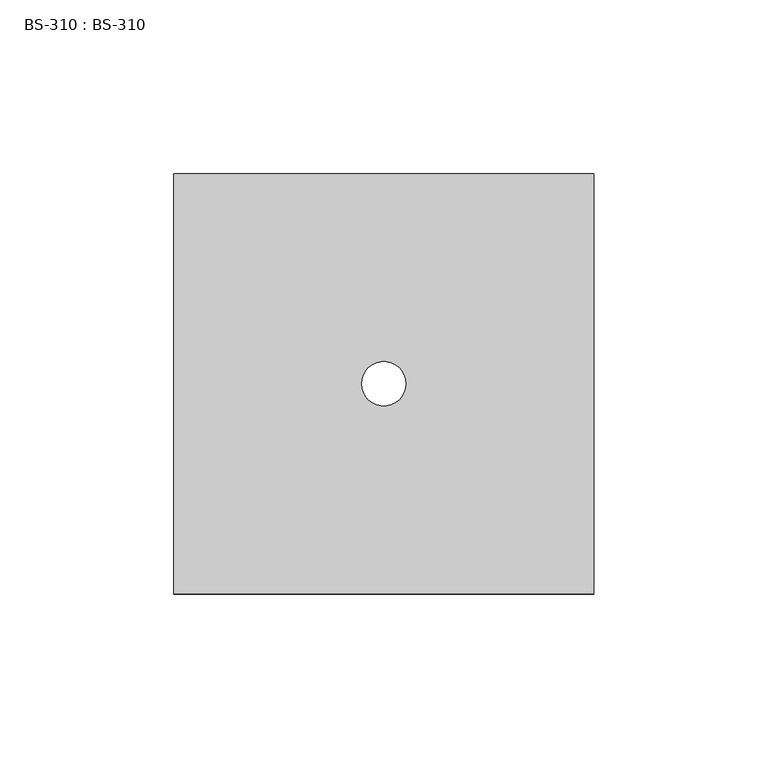
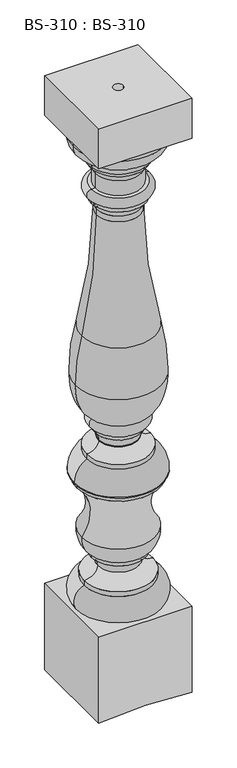
"""IFC4 building model written with IfcOpenShell, lengths in millimetres: proxy geometry, BS-310 : BS-310."""

from ifc_helpers import new_model, si_unit, point, frame, origin, place, context, project, spatial, polyline, circle_curve, ellipse_curve, trimmed, source, transform, mapped, element, save
from ifc_brep_helpers import plane_surface, cylinder_surface, revolved_surface, advanced_brep


def bs_310_bs_310_92ebf2f9(model_context):
    return source(origin(), model_context, "Body", "AdvancedBrep", [
        advanced_brep(
        [(-60.325, -60.325, 809.625), (-60.325, -60.325, 755.65), (60.325, -60.325, 755.65), (60.325, -60.325, 809.625), (-60.325, 60.325, 809.625), (60.325, 60.325, 809.625), (60.325, 60.325, 755.65), (-60.325, 60.325, 755.65), (58.7375, 0.0, 755.65), (-58.7375, 0.0, 755.65), (-6.35, 0.0, 809.625), (6.35, 0.0, 809.625), (-6.35, 0.0, 2.8407895), (0.0, 6.35, 3.175), (6.35, 0.0, 2.8407895), (0.0, -6.35, 3.175), (-58.7375, 0.0, 749.3), (58.7375, 0.0, 749.3), (36.5125, 0.0, 727.075), (-36.5125, 0.0, 727.075), (-44.45, 0.0, 146.05), (44.45, 0.0, 146.05), (54.8847416, 0.0, 117.475), (-54.8847416, 0.0, 117.475), (-44.45, 0.0, 152.4), (44.45, 0.0, 152.4), (-26.9901539, 0.0, 166.9365819), (26.9901539, 0.0, 166.9365819), (-34.925, 0.0, 180.975), (34.925, 0.0, 180.975), (-34.925, 0.0, 187.325), (34.925, 0.0, 187.325), (-47.625, 0.0, 212.725), (47.625, 0.0, 212.725), (-53.975, 0.0, 282.575), (53.975, 0.0, 282.575), (-53.975, 0.0, 288.925), (53.975, 0.0, 288.925), (-57.15, 0.0, 288.925), (57.15, 0.0, 288.925), (-57.15, 0.0, 290.0036934), (57.15, 0.0, 290.0036934), (-41.275, 0.0, 317.5), (41.275, 0.0, 317.5), (-41.275, 0.0, 323.85), (41.275, 0.0, 323.85), (-25.4, 0.0, 336.55), (25.4, 0.0, 336.55), (-25.4, 0.0, 337.9129824), (25.4, 0.0, 337.9129824), (-30.1625, 0.0, 349.25), (30.1625, 0.0, 349.25), (-30.1625, 0.0, 355.6), (30.1625, 0.0, 355.6), (-30.1625, 0.0, 371.475), (30.1625, 0.0, 371.475), (-55.5625, 0.0, 422.275), (55.5625, 0.0, 422.275), (-47.7215372, 0.0, 487.2401376), (47.7215372, 0.0, 487.2401376), (-28.575, 0.0, 645.8759388), (28.575, 0.0, 645.8759388), (-28.575, 0.0, 653.5347684), (28.575, 0.0, 653.5347684), (-34.925, 0.0, 663.575), (34.925, 0.0, 663.575), (-34.925, 0.0, 669.925), (34.925, 0.0, 669.925), (-34.925, 0.0, 682.625), (34.925, 0.0, 682.625), (-30.1625, 0.0, 682.625), (30.1625, 0.0, 682.625), (-30.1625, 0.0, 702.7472684), (30.1625, 0.0, 702.7472684), (-36.5125, 0.0, 712.7875), (36.5125, 0.0, 712.7875), (-36.5125, 0.0, 717.55), (36.5125, 0.0, 717.55), (-60.325, -60.325, 117.475), (-60.325, -60.325, 0.0), (0.0, -60.325, 3.175), (60.325, -60.325, 0.0), (60.325, -60.325, 117.475), (-60.325, 60.325, 117.475), (60.325, 60.325, 117.475), (60.325, 60.325, 0.0), (0.0, 60.325, 3.175), (-60.325, 60.325, 0.0)],
        [
            (0, 1),
            (1, 2),
            (2, 3),
            (3, 0),
            (4, 5),
            (5, 6),
            (6, 7),
            (7, 4),
            (0, 4),
            (7, 1),
            (6, 2),
            (8, 9, circle_curve(frame((0.0, 0.0, 755.65), z_axis=(0.0, 0.0, 1.0), x_axis=(1.0, 0.0, 0.0)), 58.7375)),
            (9, 8, circle_curve(frame((0.0, 0.0, 755.65), z_axis=(0.0, 0.0, 1.0), x_axis=(1.0, 0.0, 0.0)), 58.7375)),
            (3, 5),
            (10, 11, circle_curve(frame((0.0, 0.0, 809.625), z_axis=(0.0, 0.0, -1.0), x_axis=(1.0, 0.0, 0.0)), 6.35)),
            (11, 10, circle_curve(frame((0.0, 0.0, 809.625), z_axis=(0.0, 0.0, -1.0), x_axis=(1.0, 0.0, 0.0)), 6.35)),
            (10, 12),
            (12, 13, ellipse_curve(frame((0.0, 0.0, 3.175), z_axis=(0.052558833122754486, 0.0, -0.9986178293325102), x_axis=(-0.9986178293325102, 0.0, -0.05255883312275563)), 6.3587889, 6.35)),
            (13, 14, ellipse_curve(frame((0.0, 0.0, 3.175), z_axis=(-0.0525588331227613, 0.0, -0.9986178293325099), x_axis=(0.99861782933251, 0.0, -0.05255883312275977)), 6.3587889, 6.35)),
            (14, 11),
            (14, 15, ellipse_curve(frame((0.0, 0.0, 3.175), z_axis=(-0.0525588331227613, 0.0, -0.9986178293325099), x_axis=(0.99861782933251, 0.0, -0.05255883312275977)), 6.3587889, 6.35)),
            (15, 12, ellipse_curve(frame((0.0, 0.0, 3.175), z_axis=(0.052558833122754486, 0.0, -0.9986178293325102), x_axis=(-0.9986178293325102, 0.0, -0.05255883312275563)), 6.3587889, 6.35)),
            (16, 17, circle_curve(frame((0.0, 0.0, 749.3), z_axis=(0.0, 0.0, -1.0), x_axis=(1.0, 0.0, 0.0)), 58.7375)),
            (17, 18, circle_curve(frame((36.5125, 0.0, 749.3), z_axis=(0.0, 1.0, 0.0), x_axis=(1.0, 0.0, 0.0)), 22.225)),
            (18, 19, circle_curve(frame((0.0, 0.0, 727.075), z_axis=(0.0, 0.0, 1.0), x_axis=(1.0, 0.0, 0.0)), 36.5125)),
            (19, 16, circle_curve(frame((-36.5125, 0.0, 749.3), z_axis=(0.0, 1.0, 0.0), x_axis=(-1.0, 0.0, 0.0)), 22.225)),
            (17, 16, circle_curve(frame((0.0, 0.0, 749.3), z_axis=(0.0, 0.0, -1.0), x_axis=(1.0, 0.0, 0.0)), 58.7375)),
            (19, 18, circle_curve(frame((0.0, 0.0, 727.075), z_axis=(0.0, 0.0, 1.0), x_axis=(1.0, 0.0, 0.0)), 36.5125)),
            (16, 9),
            (8, 17),
            (20, 21, circle_curve(frame((0.0, 0.0, 146.05), z_axis=(0.0, 0.0, -1.0), x_axis=(1.0, 0.0, 0.0)), 44.45)),
            (21, 22, circle_curve(frame((38.89375, 0.0, 127.8282936), z_axis=(0.0, 1.0, 0.0), x_axis=(1.0, 0.0, 0.0)), 19.05)),
            (22, 23, circle_curve(frame((0.0, 0.0, 117.475), z_axis=(0.0, 0.0, 1.0), x_axis=(1.0, 0.0, 0.0)), 54.8847416)),
            (23, 20, circle_curve(frame((-38.89375, 0.0, 127.8282936), z_axis=(0.0, 1.0, 0.0), x_axis=(-1.0, 0.0, 0.0)), 19.05)),
            (21, 20, circle_curve(frame((0.0, 0.0, 146.05), z_axis=(0.0, 0.0, -1.0), x_axis=(1.0, 0.0, 0.0)), 44.45)),
            (23, 22, circle_curve(frame((0.0, 0.0, 117.475), z_axis=(0.0, 0.0, 1.0), x_axis=(1.0, 0.0, 0.0)), 54.8847416)),
            (20, 24),
            (24, 25, circle_curve(frame((0.0, 0.0, 152.4), z_axis=(0.0, 0.0, -1.0), x_axis=(1.0, 0.0, 0.0)), 44.45)),
            (25, 21),
            (25, 24, circle_curve(frame((0.0, 0.0, 152.4), z_axis=(0.0, 0.0, -1.0), x_axis=(1.0, 0.0, 0.0)), 44.45)),
            (24, 26, ellipse_curve(frame((-44.45, 0.0, 166.6875), z_axis=(0.0, -1.0, 0.0), x_axis=(-1.0, 0.0, 0.0)), 17.4625, 14.2875)),
            (26, 27, circle_curve(frame((0.0, 0.0, 166.9365819), z_axis=(0.0, 0.0, -1.0), x_axis=(1.0, 0.0, 0.0)), 26.9901539)),
            (27, 25, ellipse_curve(frame((44.45, 0.0, 166.6875), z_axis=(0.0, -1.0, 0.0), x_axis=(1.0, 0.0, 0.0)), 17.4625, 14.2875)),
            (27, 26, circle_curve(frame((0.0, 0.0, 166.9365819), z_axis=(0.0, 0.0, -1.0), x_axis=(1.0, 0.0, 0.0)), 26.9901539)),
            (26, 28, circle_curve(frame((-44.0180512, 0.0, 166.5737018), z_axis=(0.0, -1.0, 0.0), x_axis=(-1.0, 0.0, 0.0)), 17.0317636)),
            (28, 29, circle_curve(frame((0.0, 0.0, 180.975), z_axis=(0.0, 0.0, -1.0), x_axis=(1.0, 0.0, 0.0)), 34.925)),
            (29, 27, circle_curve(frame((44.0180512, 0.0, 166.5737018), z_axis=(0.0, -1.0, 0.0), x_axis=(1.0, 0.0, 0.0)), 17.0317636)),
            (29, 28, circle_curve(frame((0.0, 0.0, 180.975), z_axis=(0.0, 0.0, -1.0), x_axis=(1.0, 0.0, 0.0)), 34.925)),
            (28, 30),
            (30, 31, circle_curve(frame((0.0, 0.0, 187.325), z_axis=(0.0, 0.0, -1.0), x_axis=(1.0, 0.0, 0.0)), 34.925)),
            (31, 29),
            (31, 30, circle_curve(frame((0.0, 0.0, 187.325), z_axis=(0.0, 0.0, -1.0), x_axis=(1.0, 0.0, 0.0)), 34.925)),
            (30, 32, ellipse_curve(frame((-34.925, 0.0, 212.725), z_axis=(0.0, 1.0, 0.0), x_axis=(0.0, 0.0, -1.0)), 25.4, 12.7)),
            (32, 33, circle_curve(frame((0.0, 0.0, 212.725), z_axis=(0.0, 0.0, -1.0), x_axis=(1.0, 0.0, 0.0)), 47.625)),
            (33, 31, ellipse_curve(frame((34.925, 0.0, 212.725), z_axis=(0.0, 1.0, 0.0), x_axis=(0.0, 0.0, -1.0)), 25.4, 12.7)),
            (33, 32, circle_curve(frame((0.0, 0.0, 212.725), z_axis=(0.0, 0.0, -1.0), x_axis=(1.0, 0.0, 0.0)), 47.625)),
            (32, 34, circle_curve(frame((-87.402344, 0.0, 244.3225142), z_axis=(0.0, -1.0, 0.0), x_axis=(-1.0, 0.0, 0.0)), 50.8)),
            (34, 35, circle_curve(frame((0.0, 0.0, 282.575), z_axis=(0.0, 0.0, -1.0), x_axis=(1.0, 0.0, 0.0)), 53.975)),
            (35, 33, circle_curve(frame((87.402344, 0.0, 244.3225142), z_axis=(0.0, -1.0, 0.0), x_axis=(1.0, 0.0, 0.0)), 50.8)),
            (35, 34, circle_curve(frame((0.0, 0.0, 282.575), z_axis=(0.0, 0.0, -1.0), x_axis=(1.0, 0.0, 0.0)), 53.975)),
            (34, 36),
            (36, 37, circle_curve(frame((0.0, 0.0, 288.925), z_axis=(0.0, 0.0, -1.0), x_axis=(1.0, 0.0, 0.0)), 53.975)),
            (37, 35),
            (37, 36, circle_curve(frame((0.0, 0.0, 288.925), z_axis=(0.0, 0.0, -1.0), x_axis=(1.0, 0.0, 0.0)), 53.975)),
            (36, 38),
            (38, 39, circle_curve(frame((0.0, 0.0, 288.925), z_axis=(0.0, 0.0, -1.0), x_axis=(1.0, 0.0, 0.0)), 57.15)),
            (39, 37),
            (39, 38, circle_curve(frame((0.0, 0.0, 288.925), z_axis=(0.0, 0.0, -1.0), x_axis=(1.0, 0.0, 0.0)), 57.15)),
            (38, 40),
            (40, 41, circle_curve(frame((0.0, 0.0, 290.0036934), z_axis=(0.0, 0.0, -1.0), x_axis=(1.0, 0.0, 0.0)), 57.15)),
            (41, 39),
            (41, 40, circle_curve(frame((0.0, 0.0, 290.0036934), z_axis=(0.0, 0.0, -1.0), x_axis=(1.0, 0.0, 0.0)), 57.15)),
            (40, 42, circle_curve(frame((-25.4, 0.0, 290.0036934), z_axis=(0.0, 1.0, 0.0), x_axis=(-1.0, 0.0, 0.0)), 31.75)),
            (42, 43, circle_curve(frame((0.0, 0.0, 317.5), z_axis=(0.0, 0.0, -1.0), x_axis=(1.0, 0.0, 0.0)), 41.275)),
            (43, 41, circle_curve(frame((25.4, 0.0, 290.0036934), z_axis=(0.0, 1.0, 0.0), x_axis=(1.0, 0.0, 0.0)), 31.75)),
            (43, 42, circle_curve(frame((0.0, 0.0, 317.5), z_axis=(0.0, 0.0, -1.0), x_axis=(1.0, 0.0, 0.0)), 41.275)),
            (42, 44),
            (44, 45, circle_curve(frame((0.0, 0.0, 323.85), z_axis=(0.0, 0.0, -1.0), x_axis=(1.0, 0.0, 0.0)), 41.275)),
            (45, 43),
            (45, 44, circle_curve(frame((0.0, 0.0, 323.85), z_axis=(0.0, 0.0, -1.0), x_axis=(1.0, 0.0, 0.0)), 41.275)),
            (44, 46, ellipse_curve(frame((-41.275, 0.0, 336.55), z_axis=(0.0, -1.0, 0.0), x_axis=(1.0, 0.0, 0.0)), 15.875, 12.7)),
            (46, 47, circle_curve(frame((0.0, 0.0, 336.55), z_axis=(0.0, 0.0, -1.0), x_axis=(1.0, 0.0, 0.0)), 25.4)),
            (47, 45, ellipse_curve(frame((41.275, 0.0, 336.55), z_axis=(0.0, -1.0, 0.0), x_axis=(-1.0, 0.0, 0.0)), 15.875, 12.7)),
            (47, 46, circle_curve(frame((0.0, 0.0, 336.55), z_axis=(0.0, 0.0, -1.0), x_axis=(1.0, 0.0, 0.0)), 25.4)),
            (46, 48),
            (48, 49, circle_curve(frame((0.0, 0.0, 337.9129824), z_axis=(0.0, 0.0, -1.0), x_axis=(1.0, 0.0, 0.0)), 25.4)),
            (49, 47),
            (49, 48, circle_curve(frame((0.0, 0.0, 337.9129824), z_axis=(0.0, 0.0, -1.0), x_axis=(1.0, 0.0, 0.0)), 25.4)),
            (48, 50, circle_curve(frame((-41.275, 0.0, 337.9129824), z_axis=(0.0, -1.0, 0.0), x_axis=(-1.0, 0.0, 0.0)), 15.875)),
            (50, 51, circle_curve(frame((0.0, 0.0, 349.25), z_axis=(0.0, 0.0, -1.0), x_axis=(1.0, 0.0, 0.0)), 30.1625)),
            (51, 49, circle_curve(frame((41.275, 0.0, 337.9129824), z_axis=(0.0, -1.0, 0.0), x_axis=(1.0, 0.0, 0.0)), 15.875)),
            (51, 50, circle_curve(frame((0.0, 0.0, 349.25), z_axis=(0.0, 0.0, -1.0), x_axis=(1.0, 0.0, 0.0)), 30.1625)),
            (50, 52),
            (52, 53, circle_curve(frame((0.0, 0.0, 355.6), z_axis=(0.0, 0.0, -1.0), x_axis=(1.0, 0.0, 0.0)), 30.1625)),
            (53, 51),
            (53, 52, circle_curve(frame((0.0, 0.0, 355.6), z_axis=(0.0, 0.0, -1.0), x_axis=(1.0, 0.0, 0.0)), 30.1625)),
            (52, 54, circle_curve(frame((-30.1625, 0.0, 363.5375), z_axis=(0.0, 1.0, 0.0), x_axis=(-1.0, 0.0, 0.0)), 7.9375)),
            (54, 55, circle_curve(frame((0.0, 0.0, 371.475), z_axis=(0.0, 0.0, -1.0), x_axis=(1.0, 0.0, 0.0)), 30.1625)),
            (55, 53, circle_curve(frame((30.1625, 0.0, 363.5375), z_axis=(0.0, 1.0, 0.0), x_axis=(1.0, 0.0, 0.0)), 7.9375)),
            (55, 54, circle_curve(frame((0.0, 0.0, 371.475), z_axis=(0.0, 0.0, -1.0), x_axis=(1.0, 0.0, 0.0)), 30.1625)),
            (54, 56, ellipse_curve(frame((-30.1625, 0.0, 422.275), z_axis=(0.0, 1.0, 0.0), x_axis=(0.0, 0.0, -1.0)), 50.8, 25.4)),
            (56, 57, circle_curve(frame((0.0, 0.0, 422.275), z_axis=(0.0, 0.0, -1.0), x_axis=(1.0, 0.0, 0.0)), 55.5625)),
            (57, 55, ellipse_curve(frame((30.1625, 0.0, 422.275), z_axis=(0.0, 1.0, 0.0), x_axis=(0.0, 0.0, -1.0)), 50.8, 25.4)),
            (57, 56, circle_curve(frame((0.0, 0.0, 422.275), z_axis=(0.0, 0.0, -1.0), x_axis=(1.0, 0.0, 0.0)), 55.5625)),
            (56, 58, circle_curve(frame((217.4875, 0.0, 422.275), z_axis=(0.0, 1.0, 0.0), x_axis=(-1.0, 0.0, 0.0)), 273.05)),
            (58, 59, circle_curve(frame((0.0, 0.0, 487.2401376), z_axis=(0.0, 0.0, -1.0), x_axis=(1.0, 0.0, 0.0)), 47.7215372)),
            (59, 57, circle_curve(frame((-217.4875, 0.0, 422.275), z_axis=(0.0, 1.0, 0.0), x_axis=(1.0, 0.0, 0.0)), 273.05)),
            (59, 58, circle_curve(frame((0.0, 0.0, 487.2401376), z_axis=(0.0, 0.0, -1.0), x_axis=(1.0, 0.0, 0.0)), 47.7215372)),
            (58, 60, circle_curve(frame((-695.325, 0.0, 645.8759388), z_axis=(0.0, -1.0, 0.0), x_axis=(-1.0, 0.0, 0.0)), 666.75)),
            (60, 61, circle_curve(frame((0.0, 0.0, 645.8759388), z_axis=(0.0, 0.0, -1.0), x_axis=(1.0, 0.0, 0.0)), 28.575)),
            (61, 59, circle_curve(frame((695.325, 0.0, 645.8759388), z_axis=(0.0, -1.0, 0.0), x_axis=(1.0, 0.0, 0.0)), 666.75)),
            (61, 60, circle_curve(frame((0.0, 0.0, 645.8759388), z_axis=(0.0, 0.0, -1.0), x_axis=(1.0, 0.0, 0.0)), 28.575)),
            (60, 62),
            (62, 63, circle_curve(frame((0.0, 0.0, 653.5347684), z_axis=(0.0, 0.0, -1.0), x_axis=(1.0, 0.0, 0.0)), 28.575)),
            (63, 61),
            (63, 62, circle_curve(frame((0.0, 0.0, 653.5347684), z_axis=(0.0, 0.0, -1.0), x_axis=(1.0, 0.0, 0.0)), 28.575)),
            (62, 64, circle_curve(frame((-39.6875, 0.0, 653.5347684), z_axis=(0.0, -1.0, 0.0), x_axis=(-1.0, 0.0, 0.0)), 11.1125)),
            (64, 65, circle_curve(frame((0.0, 0.0, 663.575), z_axis=(0.0, 0.0, -1.0), x_axis=(1.0, 0.0, 0.0)), 34.925)),
            (65, 63, circle_curve(frame((39.6875, 0.0, 653.5347684), z_axis=(0.0, -1.0, 0.0), x_axis=(1.0, 0.0, 0.0)), 11.1125)),
            (65, 64, circle_curve(frame((0.0, 0.0, 663.575), z_axis=(0.0, 0.0, -1.0), x_axis=(1.0, 0.0, 0.0)), 34.925)),
            (64, 66),
            (66, 67, circle_curve(frame((0.0, 0.0, 669.925), z_axis=(0.0, 0.0, -1.0), x_axis=(1.0, 0.0, 0.0)), 34.925)),
            (67, 65),
            (67, 66, circle_curve(frame((0.0, 0.0, 669.925), z_axis=(0.0, 0.0, -1.0), x_axis=(1.0, 0.0, 0.0)), 34.925)),
            (66, 68, circle_curve(frame((-34.925, 0.0, 676.275), z_axis=(0.0, 1.0, 0.0), x_axis=(-1.0, 0.0, 0.0)), 6.35)),
            (68, 69, circle_curve(frame((0.0, 0.0, 682.625), z_axis=(0.0, 0.0, -1.0), x_axis=(1.0, 0.0, 0.0)), 34.925)),
            (69, 67, circle_curve(frame((34.925, 0.0, 676.275), z_axis=(0.0, 1.0, 0.0), x_axis=(1.0, 0.0, 0.0)), 6.35)),
            (69, 68, circle_curve(frame((0.0, 0.0, 682.625), z_axis=(0.0, 0.0, -1.0), x_axis=(1.0, 0.0, 0.0)), 34.925)),
            (68, 70),
            (70, 71, circle_curve(frame((0.0, 0.0, 682.625), z_axis=(0.0, 0.0, -1.0), x_axis=(1.0, 0.0, 0.0)), 30.1625)),
            (71, 69),
            (71, 70, circle_curve(frame((0.0, 0.0, 682.625), z_axis=(0.0, 0.0, -1.0), x_axis=(1.0, 0.0, 0.0)), 30.1625)),
            (70, 72),
            (72, 73, circle_curve(frame((0.0, 0.0, 702.7472684), z_axis=(0.0, 0.0, -1.0), x_axis=(1.0, 0.0, 0.0)), 30.1625)),
            (73, 71),
            (73, 72, circle_curve(frame((0.0, 0.0, 702.7472684), z_axis=(0.0, 0.0, -1.0), x_axis=(1.0, 0.0, 0.0)), 30.1625)),
            (72, 74, circle_curve(frame((-41.275, 0.0, 702.7472684), z_axis=(0.0, -1.0, 0.0), x_axis=(-1.0, 0.0, 0.0)), 11.1125)),
            (74, 75, circle_curve(frame((0.0, 0.0, 712.7875), z_axis=(0.0, 0.0, -1.0), x_axis=(1.0, 0.0, 0.0)), 36.5125)),
            (75, 73, circle_curve(frame((41.275, 0.0, 702.7472684), z_axis=(0.0, -1.0, 0.0), x_axis=(1.0, 0.0, 0.0)), 11.1125)),
            (75, 74, circle_curve(frame((0.0, 0.0, 712.7875), z_axis=(0.0, 0.0, -1.0), x_axis=(1.0, 0.0, 0.0)), 36.5125)),
            (74, 76),
            (76, 77, circle_curve(frame((0.0, 0.0, 717.55), z_axis=(0.0, 0.0, -1.0), x_axis=(1.0, 0.0, 0.0)), 36.5125)),
            (77, 75),
            (77, 76, circle_curve(frame((0.0, 0.0, 717.55), z_axis=(0.0, 0.0, -1.0), x_axis=(1.0, 0.0, 0.0)), 36.5125)),
            (18, 77, circle_curve(frame((36.5125, 0.0, 722.3125), z_axis=(0.0, 1.0, 0.0), x_axis=(1.0, 0.0, 0.0)), 4.7625)),
            (76, 19, circle_curve(frame((-36.5125, 0.0, 722.3125), z_axis=(0.0, 1.0, 0.0), x_axis=(-1.0, 0.0, 0.0)), 4.7625)),
            (78, 79),
            (79, 80),
            (80, 81),
            (81, 82),
            (82, 78),
            (83, 84),
            (84, 85),
            (85, 86),
            (86, 87),
            (87, 83),
            (78, 83),
            (87, 79),
            (82, 84),
            (81, 85),
            (80, 15),
            (13, 86),
        ],
        [
            plane_surface(frame((-60.325, -60.325, 817.5625), z_axis=(0.0, -1.0, 0.0), x_axis=(0.0, 0.0, -1.0))),
            plane_surface(frame((-60.325, 60.325, 817.5625), z_axis=(0.0, 1.0, 0.0), x_axis=(0.0, 0.0, 1.0))),
            plane_surface(frame((-60.325, -60.325, 809.625), z_axis=(-1.0, 0.0, 0.0), x_axis=(0.0, 1.0, 0.0))),
            plane_surface(frame((-60.325, -60.325, 755.65), z_axis=(0.0, 0.0, -1.0), x_axis=(0.0, 1.0, 0.0))),
            plane_surface(frame((60.325, -60.325, 809.625), z_axis=(0.0, 0.0, 1.0), x_axis=(0.0, 1.0, 0.0))),
            plane_surface(frame((60.325, -60.325, 755.65), z_axis=(1.0, 0.0, 0.0), x_axis=(0.0, 1.0, 0.0))),
            revolved_surface(polyline([(6.35, 0.0, 2.840789475342035), (6.35, 0.0, 809.625)]), (0.0, 0.0, 809.625), (0.0, 0.0, -1.0)),
            revolved_surface(trimmed(ellipse_curve(frame((36.5125, 0.0, 749.3), z_axis=(0.0, -1.0, 0.0), x_axis=(1.0, 0.0, 0.0)), 22.225, 22.225), [point((36.5125, 0.0, 727.075))], [point((58.7375, 0.0, 749.3))], True, "CARTESIAN"), (0.0, 0.0, 757.2375), (0.0, 0.0, 1.0)),
            cylinder_surface(frame((0.0, 0.0, 757.2375), z_axis=(0.0, 0.0, 1.0), x_axis=(1.0, 0.0, 0.0)), 58.7375),
            revolved_surface(trimmed(ellipse_curve(frame((38.89375, 0.0, 127.8282936), z_axis=(0.0, -1.0, 0.0), x_axis=(1.0, 0.0, 0.0)), 19.05, 19.05), [point((54.8847416, 0.0, 117.475))], [point((44.45, 0.0, 146.05))], True, "CARTESIAN"), (0.0, 0.0, 757.2375), (0.0, 0.0, 1.0)),
            cylinder_surface(frame((0.0, 0.0, 757.2375), z_axis=(0.0, 0.0, 1.0), x_axis=(1.0, 0.0, 0.0)), 44.45),
            revolved_surface(trimmed(ellipse_curve(frame((44.45, 0.0, 166.6875), z_axis=(0.0, 1.0, 0.0), x_axis=(1.0, 0.0, 0.0)), 17.4625, 14.2875), [point((44.45, 0.0, 152.4))], [point((26.9901539, 0.0, 166.9365819))], True, "CARTESIAN"), (0.0, 0.0, 757.2375), (0.0, 0.0, 1.0)),
            revolved_surface(trimmed(ellipse_curve(frame((44.0180512, 0.0, 166.5737018), z_axis=(0.0, 1.0, 0.0), x_axis=(1.0, 0.0, 0.0)), 17.0317636, 17.0317636), [point((26.9901539, 0.0, 166.9365819))], [point((34.925, 0.0, 180.975))], True, "CARTESIAN"), (0.0, 0.0, 757.2375), (0.0, 0.0, 1.0)),
            cylinder_surface(frame((0.0, 0.0, 757.2375), z_axis=(0.0, 0.0, 1.0), x_axis=(1.0, 0.0, 0.0)), 34.925),
            revolved_surface(trimmed(ellipse_curve(frame((34.925, 0.0, 212.725), z_axis=(0.0, -1.0, 0.0), x_axis=(0.0, 0.0, -1.0)), 25.4, 12.7), [point((34.925, 0.0, 187.325))], [point((47.625, 0.0, 212.725))], True, "CARTESIAN"), (0.0, 0.0, 757.2375), (0.0, 0.0, 1.0)),
            revolved_surface(trimmed(ellipse_curve(frame((87.402344, 0.0, 244.3225142), z_axis=(0.0, 1.0, 0.0), x_axis=(1.0, 0.0, 0.0)), 50.8, 50.8), [point((47.625, 0.0, 212.725))], [point((53.975, 0.0, 282.575))], True, "CARTESIAN"), (0.0, 0.0, 757.2375), (0.0, 0.0, 1.0)),
            cylinder_surface(frame((0.0, 0.0, 757.2375), z_axis=(0.0, 0.0, 1.0), x_axis=(1.0, 0.0, 0.0)), 53.975),
            plane_surface(frame((0.0, 0.0, 288.925), z_axis=(0.0, 0.0, -1.0), x_axis=(1.0, 0.0, 0.0))),
            cylinder_surface(frame((0.0, 0.0, 757.2375), z_axis=(0.0, 0.0, 1.0), x_axis=(1.0, 0.0, 0.0)), 57.15),
            revolved_surface(trimmed(ellipse_curve(frame((25.4, 0.0, 290.0036934), z_axis=(0.0, -1.0, 0.0), x_axis=(1.0, 0.0, 0.0)), 31.75, 31.75), [point((57.15, 0.0, 290.0036934))], [point((41.275, 0.0, 317.5))], True, "CARTESIAN"), (0.0, 0.0, 757.2375), (0.0, 0.0, 1.0)),
            cylinder_surface(frame((0.0, 0.0, 757.2375), z_axis=(0.0, 0.0, 1.0), x_axis=(1.0, 0.0, 0.0)), 41.275),
            revolved_surface(trimmed(ellipse_curve(frame((41.275, 0.0, 336.55), z_axis=(0.0, 1.0, 0.0), x_axis=(-1.0, 0.0, 0.0)), 15.875, 12.7), [point((41.275, 0.0, 323.85))], [point((25.4, 0.0, 336.55))], True, "CARTESIAN"), (0.0, 0.0, 757.2375), (0.0, 0.0, 1.0)),
            cylinder_surface(frame((0.0, 0.0, 757.2375), z_axis=(0.0, 0.0, 1.0), x_axis=(1.0, 0.0, 0.0)), 25.4),
            revolved_surface(trimmed(ellipse_curve(frame((41.275, 0.0, 337.9129824), z_axis=(0.0, 1.0, 0.0), x_axis=(1.0, 0.0, 0.0)), 15.875, 15.875), [point((25.4, 0.0, 337.9129824))], [point((30.1625, 0.0, 349.25))], True, "CARTESIAN"), (0.0, 0.0, 757.2375), (0.0, 0.0, 1.0)),
            cylinder_surface(frame((0.0, 0.0, 757.2375), z_axis=(0.0, 0.0, 1.0), x_axis=(1.0, 0.0, 0.0)), 30.1625),
            revolved_surface(trimmed(ellipse_curve(frame((30.1625, 0.0, 363.5375), z_axis=(0.0, -1.0, 0.0), x_axis=(1.0, 0.0, 0.0)), 7.9375, 7.9375), [point((30.1625, 0.0, 355.6))], [point((30.1625, 0.0, 371.475))], True, "CARTESIAN"), (0.0, 0.0, 757.2375), (0.0, 0.0, 1.0)),
            revolved_surface(trimmed(ellipse_curve(frame((30.1625, 0.0, 422.275), z_axis=(0.0, -1.0, 0.0), x_axis=(0.0, 0.0, -1.0)), 50.8, 25.4), [point((30.1625, 0.0, 371.475))], [point((55.5625, 0.0, 422.275))], True, "CARTESIAN"), (0.0, 0.0, 757.2375), (0.0, 0.0, 1.0)),
            revolved_surface(trimmed(ellipse_curve(frame((-217.4875, 0.0, 422.275), z_axis=(0.0, -1.0, 0.0), x_axis=(1.0, 0.0, 0.0)), 273.05, 273.05), [point((55.5625, 0.0, 422.275))], [point((47.7215372, 0.0, 487.2401376))], True, "CARTESIAN"), (0.0, 0.0, 757.2375), (0.0, 0.0, 1.0)),
            revolved_surface(trimmed(ellipse_curve(frame((695.325, 0.0, 645.8759388), z_axis=(0.0, 1.0, 0.0), x_axis=(1.0, 0.0, 0.0)), 666.75, 666.75), [point((47.7215372, 0.0, 487.2401376))], [point((28.575, 0.0, 645.8759388))], True, "CARTESIAN"), (0.0, 0.0, 757.2375), (0.0, 0.0, 1.0)),
            cylinder_surface(frame((0.0, 0.0, 757.2375), z_axis=(0.0, 0.0, 1.0), x_axis=(1.0, 0.0, 0.0)), 28.575),
            revolved_surface(trimmed(ellipse_curve(frame((39.6875, 0.0, 653.5347684), z_axis=(0.0, 1.0, 0.0), x_axis=(1.0, 0.0, 0.0)), 11.1125, 11.1125), [point((28.575, 0.0, 653.5347684))], [point((34.925, 0.0, 663.575))], True, "CARTESIAN"), (0.0, 0.0, 757.2375), (0.0, 0.0, 1.0)),
            revolved_surface(trimmed(ellipse_curve(frame((34.925, 0.0, 676.275), z_axis=(0.0, -1.0, 0.0), x_axis=(1.0, 0.0, 0.0)), 6.35, 6.35), [point((34.925, 0.0, 669.925))], [point((34.925, 0.0, 682.625))], True, "CARTESIAN"), (0.0, 0.0, 757.2375), (0.0, 0.0, 1.0)),
            plane_surface(frame((0.0, 0.0, 682.625), z_axis=(0.0, 0.0, 1.0), x_axis=(1.0, 0.0, 0.0))),
            revolved_surface(trimmed(ellipse_curve(frame((41.275, 0.0, 702.7472684), z_axis=(0.0, 1.0, 0.0), x_axis=(1.0, 0.0, 0.0)), 11.1125, 11.1125), [point((30.1625, 0.0, 702.7472684))], [point((36.5125, 0.0, 712.7875))], True, "CARTESIAN"), (0.0, 0.0, 757.2375), (0.0, 0.0, 1.0)),
            cylinder_surface(frame((0.0, 0.0, 757.2375), z_axis=(0.0, 0.0, 1.0), x_axis=(1.0, 0.0, 0.0)), 36.5125),
            revolved_surface(trimmed(ellipse_curve(frame((36.5125, 0.0, 722.3125), z_axis=(0.0, -1.0, 0.0), x_axis=(1.0, 0.0, 0.0)), 4.7625, 4.7625), [point((36.5125, 0.0, 717.55))], [point((36.5125, 0.0, 727.075))], True, "CARTESIAN"), (0.0, 0.0, 757.2375), (0.0, 0.0, 1.0)),
            plane_surface(frame((-60.325, -60.325, 125.4125), z_axis=(0.0, -1.0, 0.0), x_axis=(0.0, 0.0, -1.0))),
            plane_surface(frame((-60.325, 60.325, 125.4125), z_axis=(0.0, 1.0, 0.0), x_axis=(0.0, 0.0, 1.0))),
            plane_surface(frame((-60.325, -60.325, 117.475), z_axis=(-1.0, 0.0, 0.0), x_axis=(0.0, 1.0, 0.0))),
            plane_surface(frame((60.325, -60.325, 117.475), z_axis=(0.0, 0.0, 1.0), x_axis=(0.0, 1.0, 0.0))),
            plane_surface(frame((60.325, -60.325, 0.0), z_axis=(1.0, 0.0, 0.0), x_axis=(0.0, 1.0, 0.0))),
            plane_surface(frame((0.0, 60.325, 3.175), z_axis=(-0.0525588331227613, 0.0, -0.9986178293325099), x_axis=(0.0, -1.0, 0.0))),
            plane_surface(frame((-60.325, 60.325, 0.0), z_axis=(0.052558833122754486, 0.0, -0.9986178293325102), x_axis=(0.0, -1.0, 0.0))),
        ],
        [
            (0, [[1, 2, 3, 4]]),
            (1, [[5, 6, 7, 8]]),
            (2, [[-1, 9, -8, 10]]),
            (3, [[-2, -10, -7, 11], [12, 13]]),
            (4, [[-4, 14, -5, -9], [15, 16]]),
            (5, [[-3, -11, -6, -14]]),
            (6, [[17, 18, 19, 20, -15]]),
            (6, [[-17, -16, -20, 21, 22]]),
            (7, [[23, 24, 25, 26]]),
            (7, [[-24, 27, -26, 28]]),
            (8, [[-23, 29, -12, 30]]),
            (8, [[-27, -30, -13, -29]]),
            (9, [[31, 32, 33, 34]]),
            (9, [[-32, 35, -34, 36]]),
            (10, [[-31, 37, 38, 39]]),
            (10, [[-35, -39, 40, -37]]),
            (11, [[-38, 41, 42, 43]]),
            (11, [[-40, -43, 44, -41]]),
            (12, [[-42, 45, 46, 47]]),
            (12, [[-44, -47, 48, -45]]),
            (13, [[-46, 49, 50, 51]]),
            (13, [[-48, -51, 52, -49]]),
            (14, [[-50, 53, 54, 55]]),
            (14, [[-52, -55, 56, -53]]),
            (15, [[-54, 57, 58, 59]]),
            (15, [[-56, -59, 60, -57]]),
            (16, [[-58, 61, 62, 63]]),
            (16, [[-60, -63, 64, -61]]),
            (17, [[-62, 65, 66, 67]]),
            (17, [[-64, -67, 68, -65]]),
            (18, [[-66, 69, 70, 71]]),
            (18, [[-68, -71, 72, -69]]),
            (19, [[-70, 73, 74, 75]]),
            (19, [[-72, -75, 76, -73]]),
            (20, [[-74, 77, 78, 79]]),
            (20, [[-76, -79, 80, -77]]),
            (21, [[-78, 81, 82, 83]]),
            (21, [[-80, -83, 84, -81]]),
            (22, [[-82, 85, 86, 87]]),
            (22, [[-84, -87, 88, -85]]),
            (23, [[-86, 89, 90, 91]]),
            (23, [[-88, -91, 92, -89]]),
            (24, [[-90, 93, 94, 95]]),
            (24, [[-92, -95, 96, -93]]),
            (25, [[-94, 97, 98, 99]]),
            (25, [[-96, -99, 100, -97]]),
            (26, [[-98, 101, 102, 103]]),
            (26, [[-100, -103, 104, -101]]),
            (27, [[-102, 105, 106, 107]]),
            (27, [[-104, -107, 108, -105]]),
            (28, [[-106, 109, 110, 111]]),
            (28, [[-108, -111, 112, -109]]),
            (29, [[-110, 113, 114, 115]]),
            (29, [[-112, -115, 116, -113]]),
            (30, [[-114, 117, 118, 119]]),
            (30, [[-116, -119, 120, -117]]),
            (13, [[-118, 121, 122, 123]]),
            (13, [[-120, -123, 124, -121]]),
            (31, [[-122, 125, 126, 127]]),
            (31, [[-124, -127, 128, -125]]),
            (32, [[-126, 129, 130, 131]]),
            (32, [[-128, -131, 132, -129]]),
            (24, [[-130, 133, 134, 135]]),
            (24, [[-132, -135, 136, -133]]),
            (33, [[-134, 137, 138, 139]]),
            (33, [[-136, -139, 140, -137]]),
            (34, [[-138, 141, 142, 143]]),
            (34, [[-140, -143, 144, -141]]),
            (35, [[-25, 145, -142, 146]]),
            (35, [[-28, -146, -144, -145]]),
            (36, [[147, 148, 149, 150, 151]]),
            (37, [[152, 153, 154, 155, 156]]),
            (38, [[-147, 157, -156, 158]]),
            (39, [[-151, 159, -152, -157], [-33, -36]]),
            (40, [[-150, 160, -153, -159]]),
            (41, [[-149, 161, -21, -19, 162, -154, -160]]),
            (42, [[-148, -158, -155, -162, -18, -22, -161]]),
        ],
    ),
    ])


if __name__ == "__main__":
    model = new_model("IFC4")
    model_context = context("Model", 3, world=origin())
    ifc_project = project(units=[si_unit("LENGTHUNIT", "METRE", prefix="MILLI")], contexts=[model_context])
    site = spatial("IfcSite", under=ifc_project)
    building = spatial("IfcBuilding", under=site)
    placement = place(None, origin())
    bs_310_bs_310_shape = bs_310_bs_310_92ebf2f9(model_context)
    element("IfcBuildingElementProxy", 1, Name="BS-310 : BS-310", ObjectType="BS-310 : BS-310", at=placement, inside=building, context=model_context, shape_type="MappedRepresentation", body=[
        mapped(bs_310_bs_310_shape, transform((0.0, 0.0, 0.0), x_axis=(1.0, 0.0, 0.0), y_axis=(0.0, 1.0, 0.0), z_axis=(0.0, 0.0, 1.0))),
    ])
    save(model, "model.ifc")
